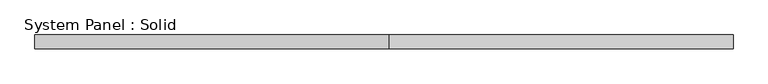
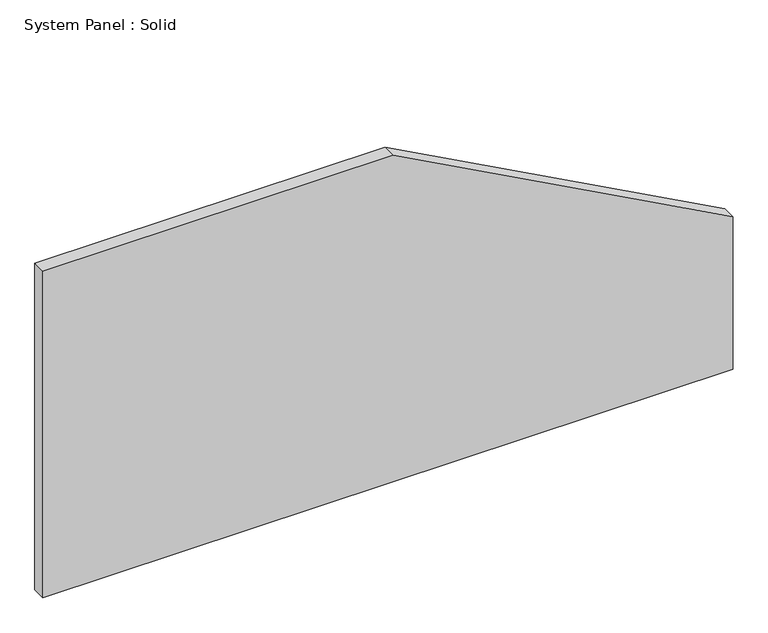
"""IFC4 building model written with IfcOpenShell, lengths in millimetres: plate geometry, System Panel : Solid."""

from ifc_helpers import new_model, si_unit, frame, origin, place, context, project, spatial, polyline, outline, extrude, source, transform, mapped, element, save


def system_panel_solid_b565ac2a(model_context):
    return source(origin(), model_context, "Body", "SweptSolid", [
        extrude(outline(polyline([(0.0, -1500.0), (0.0, 1500.0), (701.160561, 1500.0), (1500.0, 22.3765082), (1500.0, -1500.0), (0.0, -1500.0)])), frame((0.0, -10.5, 0.0), z_axis=(0.0, 1.0, 0.0), x_axis=(0.0, 0.0, 1.0)), (0.0, 0.0, 1.0), 60.0),
    ])


if __name__ == "__main__":
    model = new_model("IFC4")
    model_context = context("Model", 3, world=origin())
    ifc_project = project(units=[si_unit("LENGTHUNIT", "METRE", prefix="MILLI")], contexts=[model_context])
    site = spatial("IfcSite", under=ifc_project)
    building = spatial("IfcBuilding", under=site)
    placement = place(None, origin())
    system_panel_solid_shape = system_panel_solid_b565ac2a(model_context)
    element("IfcPlate", 1, ObjectType="System Panel : Solid", at=placement, inside=building, context=model_context, shape_type="MappedRepresentation", body=[
        mapped(system_panel_solid_shape, transform((0.0, 0.0, 0.0), x_axis=(1.0, 0.0, 0.0), y_axis=(0.0, 1.0, 0.0), z_axis=(0.0, 0.0, 1.0))),
    ])
    save(model, "model.ifc")
